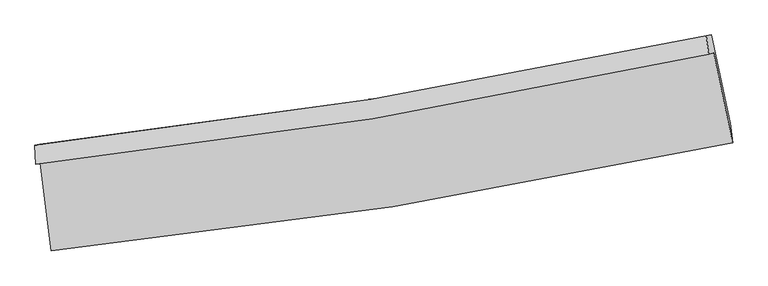
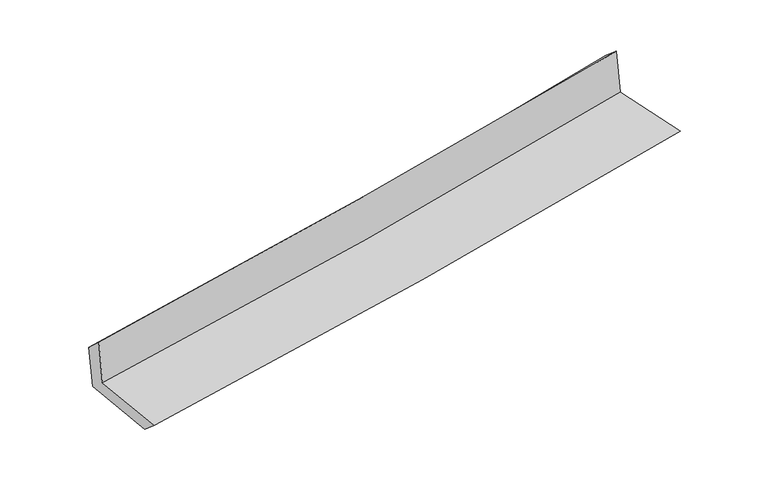
"""IFC4 building model written with IfcOpenShell, lengths in millimetres: proxy geometry."""

from ifc_helpers import new_model, si_unit, frame, origin, place, context, project, spatial, source, transform, mapped, element, save
from ifc_brep_helpers import plane_surface, spline_curve, spline_surface, advanced_brep


def generic_models_29668ce1(model_context):
    return source(origin(), model_context, "Body", "AdvancedBrep", [
        advanced_brep(
        [(-2500.241327, -1882.6022718, 1674.2352355), (-2420.9469783, -2525.3694045, 1647.8526806), (2584.8759642, -1732.1126582, 2107.2120741), (2445.605525, -1072.6757626, 2112.3333546), (-2536.4920692, -1893.2624374, 2061.0622558), (2408.4525246, -1083.6012529, 2508.7882565), (-2540.9394943, -1750.4337973, 1931.1299968), (2391.8401094, -947.4922433, 2387.9175155), (-2505.3822314, -1745.0779063, 1557.9800487), (2428.3069475, -941.9932775, 2009.8325676), (-2425.9319033, -2387.8137202, 1529.9509638), (2566.8806586, -1589.6540381, 1986.8114803)],
        [
            (0, 1),
            (1, 2, spline_curve(3, [(-2420.9469783, -2525.3694045, 1647.8526806), (-1582.703303797, -2442.036994772, 1745.294853312), (-747.278559939, -2334.451317433, 1832.23900503), (921.352288048, -2070.232010229, 1985.445203148), (1754.535191628, -1913.398772466, 2051.620849461), (2584.8759642, -1732.1126582, 2107.2120741)], [4, 2, 4], [0.0, 8.2879087640345, 16.609853077014385])),
            (2, 3),
            (3, 0, spline_curve(3, [(2445.605525, -1072.6757626, 2112.3333546), (1625.753898311, -1254.11151236, 2055.021082804), (802.823332541, -1412.414260727, 1989.765717888), (-845.8174183, -1682.200929354, 1843.668172024), (-1671.502469656, -1793.873684239, 1762.890830896), (-2500.241327, -1882.6022718, 1674.2352355)], [4, 2, 4], [0.0, 8.321944312979886, 16.609853077014385])),
            (4, 0),
            (3, 5),
            (5, 4, spline_curve(3, [(2408.4525246, -1083.6012529, 2508.7882565), (1587.70922739, -1265.299214, 2460.990887054), (764.40923653, -1423.710598345, 2399.67760962), (-883.926498502, -1693.407571732, 2250.325279129), (-1708.941372178, -1804.883249097, 2162.39655631), (-2536.4920692, -1893.2624374, 2061.0622558)], [4, 2, 4], [0.0, 8.274091177061898, 16.514342517585085])),
            (6, 4),
            (5, 7),
            (7, 6, spline_curve(3, [(2391.8401094, -947.4922433, 2387.9175155), (1575.421794742, -1125.865236587, 2310.879841991), (755.297772111, -1282.055277017, 2234.218146642), (-888.992345431, -1549.521382771, 2081.958709711), (-1713.128190686, -1660.978526865, 2006.357898655), (-2540.9394943, -1750.4337973, 1931.1299968)], [4, 2, 4], [0.0, 8.263349507886764, 16.49290311110857])),
            (8, 6),
            (7, 9),
            (9, 8, spline_curve(3, [(2428.3069475, -941.9932775, 2009.8325676), (1611.577286975, -1120.417464009, 1935.277703552), (791.221801586, -1276.645020364, 1860.267806097), (-853.370855766, -1544.158705927, 1709.646585358), (-1677.578429832, -1655.626025752, 1634.038976353), (-2505.3822314, -1745.0779063, 1557.9800487)], [4, 2, 4], [0.0, 8.25325774275135, 16.472760854697952])),
            (10, 8),
            (9, 11),
            (11, 10, spline_curve(3, [(2566.8806586, -1589.6540381, 1986.8114803), (1737.702976832, -1753.240925904, 1911.967581074), (906.189073052, -1901.652938927, 1836.394416762), (-758.100851407, -2167.582294045, 1684.101625139), (-1590.857801691, -2285.223508531, 1607.387950407), (-2425.9319033, -2387.8137202, 1529.9509638)], [4, 2, 4], [0.0, 8.300109433105401, 16.56627261876693])),
            (1, 10),
            (11, 2),
        ],
        [
            spline_surface(3, 3, [[(-2500.241327, -1882.6022718, 1674.2352355), (-1671.502469639, -1793.873684197, 1762.890830797), (-845.817418215, -1682.200929425, 1843.668172097), (802.823332456, -1412.414260655, 1989.765717814), (1625.753898352, -1254.111512404, 2055.021082867), (2445.605525, -1072.6757626, 2112.3333546)], [(-2473.809877422, -2096.857982684, 1665.44105055), (-1641.902747637, -2009.928121056, 1757.025505), (-812.971132081, -1899.617725404, 1839.858449718), (842.332984293, -1631.68684389, 1988.325546289), (1668.680996115, -1473.873932402, 2053.887671738), (2492.02900475, -1292.488061134, 2110.626261092)], [(-2447.378427878, -2311.113693616, 1656.64686555), (-1612.30302567, -2225.982557963, 1751.160179153), (-780.124845971, -2117.034521354, 1836.048727329), (881.842636107, -1850.959427095, 1986.885374754), (1711.608093829, -1693.636352398, 2052.754260633), (2538.45248445, -1512.300359666, 2108.919167608)], [(-2420.9469783, -2525.3694045, 1647.8526806), (-1582.703303667, -2442.036994823, 1745.294853356), (-747.278559836, -2334.451317333, 1832.23900495), (921.352287945, -2070.232010329, 1985.445203229), (1754.535191591, -1913.398772396, 2051.620849504), (2584.8759642, -1732.1126582, 2107.2120741)]], [4, 4], [4, 2, 4], [0.0, 2.1785736490630905], [0.0, 8.2879087640345, 16.609853077014385]),
            spline_surface(3, 3, [[(-2536.4920692, -1893.2624374, 2061.0622558), (-1708.941372059, -1804.883249116, 2162.396556427), (-883.926498415, -1693.407571802, 2250.325279199), (764.409236442, -1423.710598274, 2399.67760955), (1587.709227383, -1265.29921405, 2460.990887054), (2408.4525246, -1083.6012529, 2508.7882565)], [(-2524.408488483, -1889.709048888, 1932.119915686), (-1696.461737936, -1801.213394164, 2029.227981203), (-871.223471688, -1689.672024344, 2114.772910153), (777.213935107, -1419.945152402, 2263.040312293), (1600.390784356, -1261.569980148, 2325.667619006), (2420.83685805, -1079.95942278, 2376.636622547)], [(-2512.324907717, -1886.155660312, 1803.177575614), (-1683.982103763, -1797.543539148, 1896.059406021), (-858.520444942, -1685.936476884, 1979.220541143), (790.01863379, -1416.179706528, 2126.403015071), (1613.07234138, -1257.840746306, 2190.344350915), (2433.22119155, -1076.31759272, 2244.484988553)], [(-2500.241327, -1882.6022718, 1674.2352355), (-1671.502469639, -1793.873684197, 1762.890830797), (-845.817418215, -1682.200929425, 1843.668172097), (802.823332456, -1412.414260655, 1989.765717814), (1625.753898352, -1254.111512404, 2055.021082867), (2445.605525, -1072.6757626, 2112.3333546)]], [4, 4], [4, 2, 4], [0.0, 1.3459132064147779], [0.0, 8.240251340523187, 16.514342517585085]),
            spline_surface(3, 3, [[(-2540.9394943, -1750.4337973, 1931.1299968), (-1713.128190575, -1660.978526848, 2006.35789873), (-888.992345431, -1549.521382694, 2081.958709603), (755.297772111, -1282.055277095, 2234.21814675), (1575.421794855, -1125.865236621, 2310.879842079), (2391.8401094, -947.4922433, 2387.9175155)], [(-2539.457019273, -1798.043343986, 1974.440749809), (-1711.732584409, -1708.94676759, 2058.370784638), (-887.303729749, -1597.483445745, 2138.080899478), (758.334926898, -1329.273717503, 2289.371301026), (1579.517605693, -1172.343229121, 2360.916857042), (2397.377581129, -992.861913191, 2428.207762471)], [(-2537.974544227, -1845.652890714, 2017.751502791), (-1710.336978225, -1756.915008374, 2110.38367052), (-885.615114097, -1645.44550875, 2194.203089324), (761.372081655, -1376.492157865, 2344.524455274), (1583.613416545, -1218.821221549, 2410.953872091), (2402.915052871, -1038.231583009, 2468.498009529)], [(-2536.4920692, -1893.2624374, 2061.0622558), (-1708.941372059, -1804.883249116, 2162.396556427), (-883.926498415, -1693.407571802, 2250.325279199), (764.409236442, -1423.710598274, 2399.67760955), (1587.709227383, -1265.29921405, 2460.990887054), (2408.4525246, -1083.6012529, 2508.7882565)]], [4, 4], [4, 2, 4], [0.0, 0.7209674923582156], [0.0, 8.229553603221808, 16.49290311110857]),
            spline_surface(3, 3, [[(-2505.3822314, -1745.0779063, 1557.9800487), (-1677.578429719, -1655.626025814, 1634.038976434), (-853.370855693, -1544.158705905, 1709.646585365), (791.221801513, -1276.645020387, 1860.26780609), (1611.57728708, -1120.417464, 1935.277703467), (2428.3069475, -941.9932775, 2009.8325676)], [(-2517.234652348, -1746.863203321, 1682.363364724), (-1689.428349985, -1657.410192846, 1758.145283857), (-865.244685596, -1545.946264811, 1833.75062678), (779.247125055, -1278.448439266, 1984.917919646), (1599.525456344, -1122.233388194, 2060.478416348), (2416.151334805, -943.826266087, 2135.860883577)], [(-2529.087073352, -1748.648500279, 1806.746680776), (-1701.278270309, -1659.194359815, 1882.251591308), (-877.118515528, -1547.733823787, 1957.854668188), (767.272448569, -1280.251858215, 2109.568033194), (1587.473625592, -1124.049312426, 2185.679129198), (2403.995722095, -945.659254713, 2261.889199523)], [(-2540.9394943, -1750.4337973, 1931.1299968), (-1713.128190575, -1660.978526848, 2006.35789873), (-888.992345431, -1549.521382694, 2081.958709603), (755.297772111, -1282.055277095, 2234.21814675), (1575.421794856, -1125.865236621, 2310.879842079), (2391.8401094, -947.4922433, 2387.9175155)]], [4, 4], [4, 2, 4], [0.0, 1.2299351092561237], [0.0, 8.219503111946603, 16.472760854697952]),
            spline_surface(3, 3, [[(-2425.9319033, -2387.8137202, 1529.9509638), (-1590.857801765, -2285.223508465, 1607.387950324), (-758.10085142, -2167.582294035, 1684.101625044), (906.189073065, -1901.652938936, 1836.394416858), (1737.702976732, -1753.240925985, 1911.967580963), (2566.8806586, -1589.6540381, 1986.8114803)], [(-2452.415346026, -2173.568448885, 1539.293992109), (-1619.764677776, -2075.3576809, 1616.271625703), (-789.857519511, -1959.77443135, 1692.616611804), (867.866649214, -1693.316966111, 1844.352213255), (1695.661080198, -1542.299771982, 1919.737621798), (2520.689421583, -1373.767117892, 1994.485176067)], [(-2478.898788674, -1959.323177615, 1548.637020391), (-1648.671553708, -1865.491853379, 1625.155301055), (-821.614187603, -1751.96656859, 1701.131598604), (829.544225363, -1484.980993212, 1852.310009693), (1653.619183614, -1331.358618003, 1927.507662632), (2474.498184517, -1157.880197708, 2002.158871833)], [(-2505.3822314, -1745.0779063, 1557.9800487), (-1677.578429719, -1655.626025814, 1634.038976434), (-853.370855693, -1544.158705905, 1709.646585365), (791.221801513, -1276.645020387, 1860.26780609), (1611.57728708, -1120.417464, 1935.277703467), (2428.3069475, -941.9932775, 2009.8325676)]], [4, 4], [4, 2, 4], [0.0, 2.0784017480535595], [0.0, 8.26616318566153, 16.56627261876693]),
            spline_surface(3, 3, [[(-2420.9469783, -2525.3694045, 1647.8526806), (-1582.703303667, -2442.036994823, 1745.294853356), (-747.278559836, -2334.451317333, 1832.23900495), (921.352287945, -2070.232010329, 1985.445203229), (1754.535191591, -1913.398772396, 2051.620849504), (2584.8759642, -1732.1126582, 2107.2120741)], [(-2422.608619949, -2479.517509736, 1608.552108323), (-1585.421469682, -2389.765832706, 1699.325885668), (-750.885990387, -2278.828309539, 1782.859878324), (916.297882962, -2014.038986504, 1935.761607782), (1748.924453289, -1860.012823607, 2005.069760002), (2578.877528984, -1684.626451515, 2067.078542845)], [(-2424.270261651, -2433.665614964, 1569.251536077), (-1588.13963575, -2337.494670582, 1653.356918012), (-754.49342087, -2223.205301828, 1733.480751669), (911.243478047, -1957.845962762, 1886.078012305), (1743.313715034, -1806.626874773, 1958.518670465), (2572.879093816, -1637.140244785, 2026.945011555)], [(-2425.9319033, -2387.8137202, 1529.9509638), (-1590.857801765, -2285.223508465, 1607.387950324), (-758.10085142, -2167.582294035, 1684.101625044), (906.189073065, -1901.652938936, 1836.394416858), (1737.702976732, -1753.240925985, 1911.967580963), (2566.8806586, -1589.6540381, 1986.8114803)]], [4, 4], [4, 2, 4], [0.0, 0.7364170642978908], [0.0, 8.323991484283164, 16.682166696651482]),
            plane_surface(frame((2470.9936216, -1227.9215388, 2185.4825414), z_axis=(0.9739631016675208, 0.204944416543719, 0.09692090960023875), x_axis=(-0.09599584997919106, -0.014475559715583432, 0.9952764716186621))),
            plane_surface(frame((-2488.3223339, -2030.7599229, 1733.7018635), z_axis=(-0.9883750148107183, -0.11799470277776718, -0.09587533684060018), x_axis=(-0.12233443634330857, 0.991653959294755, 0.04070271120701092))),
        ],
        [
            (0, [[1, 2, 3, 4]]),
            (1, [[5, -4, 6, 7]]),
            (2, [[8, -7, 9, 10]]),
            (3, [[11, -10, 12, 13]]),
            (4, [[14, -13, 15, 16]]),
            (5, [[17, -16, 18, -2]]),
            (6, [[-12, -9, -6, -3, -18, -15]]),
            (7, [[-1, -5, -8, -11, -14, -17]]),
        ],
    ),
    ])


if __name__ == "__main__":
    model = new_model("IFC4")
    model_context = context("Model", 3, world=origin())
    ifc_project = project(units=[si_unit("LENGTHUNIT", "METRE", prefix="MILLI")], contexts=[model_context])
    site = spatial("IfcSite", under=ifc_project)
    building = spatial("IfcBuilding", under=site)
    placement = place(None, origin())
    generic_models_shape = generic_models_29668ce1(model_context)
    element("IfcBuildingElementProxy", 1, Name="Generic Models", at=placement, inside=building, context=model_context, shape_type="MappedRepresentation", body=[
        mapped(generic_models_shape, transform((0.0, 0.0, 0.0), x_axis=(1.0, 0.0, 0.0), y_axis=(0.0, 1.0, 0.0), z_axis=(0.0, 0.0, 1.0))),
    ])
    save(model, "model.ifc")
